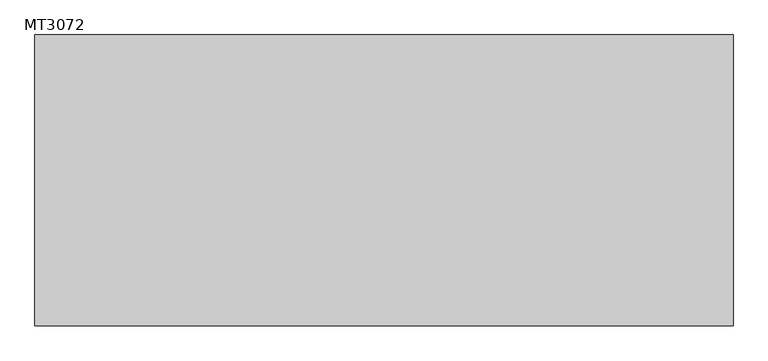
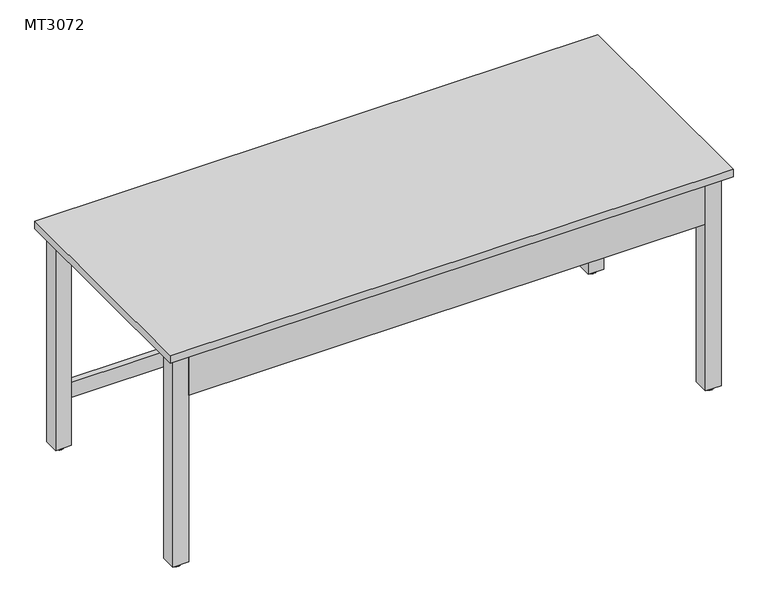
"""IFC4 building model written with IfcOpenShell, lengths in millimetres: furniture geometry, MT3072."""

from ifc_helpers import new_model, si_unit, point, frame, frame_2d, origin, place, context, project, spatial, polyline, circle_curve, trimmed, segment, composite_curve, outline, extrude, source, transform, mapped, element, save


def mt3072_7f9e6dbb(model_context):
    return source(origin(), model_context, "Body", "SweptSolid", [
        extrude(outline(polyline([(248.8705577, 127.0), (299.6705577, 127.0), (299.6705577, 76.2), (248.8705577, 76.2), (248.8705577, 127.0)])), frame((0.0, 0.0, 12.5070585), z_axis=(0.0, 0.0, 1.0), x_axis=(1.0, 0.0, 0.0)), (0.0, 0.0, 1.0), 724.0929415),
        extrude(outline(polyline([(-1430.5951479, 127.0), (-1430.5951479, 76.2), (-1481.3951479, 76.2), (-1481.3951479, 127.0), (-1430.5951479, 127.0)])), frame((0.0, 0.0, 12.5070585), z_axis=(0.0, 0.0, 1.0), x_axis=(1.0, 0.0, 0.0)), (0.0, 0.0, 1.0), 724.0929415),
        extrude(outline(polyline([(248.8705577, -584.2), (248.8705577, -533.4), (299.6705577, -533.4), (299.6705577, -584.2), (248.8705577, -584.2)])), frame((0.0, 0.0, 12.5070585), z_axis=(0.0, 0.0, 1.0), x_axis=(1.0, 0.0, 0.0)), (0.0, 0.0, 1.0), 724.0929415),
        extrude(outline(polyline([(-1430.5951479, -584.2), (-1481.3951479, -584.2), (-1481.3951479, -533.4), (-1430.5951479, -533.4), (-1430.5951479, -584.2)])), frame((0.0, 0.0, 12.5070585), z_axis=(0.0, 0.0, 1.0), x_axis=(1.0, 0.0, 0.0)), (0.0, 0.0, 1.0), 724.0929415),
        extrude(outline(polyline([(323.9758284, -609.6), (-1504.8241716, -609.6), (-1504.8241716, 152.4), (323.9758284, 152.4), (323.9758284, -609.6)])), frame((0.0, 0.0, 736.6), z_axis=(0.0, 0.0, 1.0), x_axis=(1.0, 0.0, 0.0)), (0.0, 0.0, 1.0), 25.4),
        extrude(outline(polyline([(248.8705577, 107.95), (-1430.5951479, 107.95), (-1430.5951479, 127.0), (248.8705577, 127.0), (248.8705577, 107.95)])), frame((0.0, 0.0, 685.8), z_axis=(0.0, 0.0, 1.0), x_axis=(1.0, 0.0, 0.0)), (0.0, 0.0, 1.0), 50.8),
        extrude(outline(polyline([(248.8705577, -584.2), (-1430.5951479, -584.2), (-1430.5951479, -565.15), (248.8705577, -565.15), (248.8705577, -584.2)])), frame((0.0, 0.0, 584.2), z_axis=(0.0, 0.0, 1.0), x_axis=(1.0, 0.0, 0.0)), (0.0, 0.0, 1.0), 152.4),
        extrude(outline(composite_curve([segment(trimmed(circle_curve(frame_2d((274.240625, -558.8)), 4.7625), [point((274.240625, -563.5625))], [point((274.240625, -554.0375))], False, "CARTESIAN"), True, "CONTINUOUS"), segment(trimmed(circle_curve(frame_2d((274.240625, -558.8)), 4.7625), [point((274.240625, -554.0375))], [point((274.240625, -563.5625))], False, "CARTESIAN"), True, "CONTINUOUS")], self_intersect=False)), frame((0.0, 0.0, 6.35), z_axis=(0.0, 0.0, 1.0), x_axis=(1.0, 0.0, 0.0)), (0.0, 0.0, 1.0), 6.1570585),
        extrude(outline(composite_curve([segment(trimmed(circle_curve(frame_2d((274.240625, -558.8)), 14.3383444), [point((274.240625, -573.1383444))], [point((274.240625, -544.4616556))], False, "CARTESIAN"), True, "CONTINUOUS"), segment(trimmed(circle_curve(frame_2d((274.240625, -558.8)), 14.3383444), [point((274.240625, -544.4616556))], [point((274.240625, -573.1383444))], False, "CARTESIAN"), True, "CONTINUOUS")], self_intersect=False)), frame((0.0, 0.0, -0.1929415), z_axis=(0.0, 0.0, 1.0), x_axis=(1.0, 0.0, 0.0)), (0.0, 0.0, 1.0), 6.5429415),
        extrude(outline(composite_curve([segment(trimmed(circle_curve(frame_2d((274.240625, 101.6)), 4.7625), [point((274.240625, 96.8375))], [point((274.240625, 106.3625))], False, "CARTESIAN"), True, "CONTINUOUS"), segment(trimmed(circle_curve(frame_2d((274.240625, 101.6)), 4.7625), [point((274.240625, 106.3625))], [point((274.240625, 96.8375))], False, "CARTESIAN"), True, "CONTINUOUS")], self_intersect=False)), frame((0.0, 0.0, 6.35), z_axis=(0.0, 0.0, 1.0), x_axis=(1.0, 0.0, 0.0)), (0.0, 0.0, 1.0), 6.1570585),
        extrude(outline(composite_curve([segment(trimmed(circle_curve(frame_2d((274.240625, 101.6)), 14.3383444), [point((274.240625, 87.2616556))], [point((274.240625, 115.9383444))], False, "CARTESIAN"), True, "CONTINUOUS"), segment(trimmed(circle_curve(frame_2d((274.240625, 101.6)), 14.3383444), [point((274.240625, 115.9383444))], [point((274.240625, 87.2616556))], False, "CARTESIAN"), True, "CONTINUOUS")], self_intersect=False)), frame((0.0, 0.0, -0.1929415), z_axis=(0.0, 0.0, 1.0), x_axis=(1.0, 0.0, 0.0)), (0.0, 0.0, 1.0), 6.5429415),
        extrude(outline(composite_curve([segment(trimmed(circle_curve(frame_2d((-1455.972857, 101.6)), 4.7625), [point((-1455.972857, 106.3625))], [point((-1455.972857, 96.8375))], False, "CARTESIAN"), True, "CONTINUOUS"), segment(trimmed(circle_curve(frame_2d((-1455.972857, 101.6)), 4.7625), [point((-1455.972857, 96.8375))], [point((-1455.972857, 106.3625))], False, "CARTESIAN"), True, "CONTINUOUS")], self_intersect=False)), frame((0.0, 0.0, 6.1570585), z_axis=(0.0, 0.0, 1.0), x_axis=(1.0, 0.0, 0.0)), (0.0, 0.0, 1.0), 6.35),
        extrude(outline(composite_curve([segment(trimmed(circle_curve(frame_2d((-1455.972857, 101.6)), 14.3383444), [point((-1455.972857, 115.9383444))], [point((-1455.972857, 87.2616556))], False, "CARTESIAN"), True, "CONTINUOUS"), segment(trimmed(circle_curve(frame_2d((-1455.972857, 101.6)), 14.3383444), [point((-1455.972857, 87.2616556))], [point((-1455.972857, 115.9383444))], False, "CARTESIAN"), True, "CONTINUOUS")], self_intersect=False)), frame((0.0, 0.0, -0.1929415), z_axis=(0.0, 0.0, 1.0), x_axis=(1.0, 0.0, 0.0)), (0.0, 0.0, 1.0), 6.35),
        extrude(outline(composite_curve([segment(trimmed(circle_curve(frame_2d((274.240625, 101.6)), 4.7625), [point((274.240625, 96.8375))], [point((274.240625, 106.3625))], False, "CARTESIAN"), True, "CONTINUOUS"), segment(trimmed(circle_curve(frame_2d((274.240625, 101.6)), 4.7625), [point((274.240625, 106.3625))], [point((274.240625, 96.8375))], False, "CARTESIAN"), True, "CONTINUOUS")], self_intersect=False)), frame((0.0, 0.0, 6.35), z_axis=(0.0, 0.0, 1.0), x_axis=(1.0, 0.0, 0.0)), (0.0, 0.0, 1.0), 6.1570585),
        extrude(outline(composite_curve([segment(trimmed(circle_curve(frame_2d((274.240625, 101.6)), 14.3383444), [point((274.240625, 87.2616556))], [point((274.240625, 115.9383444))], False, "CARTESIAN"), True, "CONTINUOUS"), segment(trimmed(circle_curve(frame_2d((274.240625, 101.6)), 14.3383444), [point((274.240625, 115.9383444))], [point((274.240625, 87.2616556))], False, "CARTESIAN"), True, "CONTINUOUS")], self_intersect=False)), frame((0.0, 0.0, -0.1929415), z_axis=(0.0, 0.0, 1.0), x_axis=(1.0, 0.0, 0.0)), (0.0, 0.0, 1.0), 6.5429415),
        extrude(outline(composite_curve([segment(trimmed(circle_curve(frame_2d((-1455.972857, 101.6)), 4.7625), [point((-1455.972857, 106.3625))], [point((-1455.972857, 96.8375))], False, "CARTESIAN"), True, "CONTINUOUS"), segment(trimmed(circle_curve(frame_2d((-1455.972857, 101.6)), 4.7625), [point((-1455.972857, 96.8375))], [point((-1455.972857, 106.3625))], False, "CARTESIAN"), True, "CONTINUOUS")], self_intersect=False)), frame((0.0, 0.0, 6.1570585), z_axis=(0.0, 0.0, 1.0), x_axis=(1.0, 0.0, 0.0)), (0.0, 0.0, 1.0), 6.35),
        extrude(outline(composite_curve([segment(trimmed(circle_curve(frame_2d((-1455.972857, 101.6)), 14.3383444), [point((-1455.972857, 115.9383444))], [point((-1455.972857, 87.2616556))], False, "CARTESIAN"), True, "CONTINUOUS"), segment(trimmed(circle_curve(frame_2d((-1455.972857, 101.6)), 14.3383444), [point((-1455.972857, 87.2616556))], [point((-1455.972857, 115.9383444))], False, "CARTESIAN"), True, "CONTINUOUS")], self_intersect=False)), frame((0.0, 0.0, -0.1929415), z_axis=(0.0, 0.0, 1.0), x_axis=(1.0, 0.0, 0.0)), (0.0, 0.0, 1.0), 6.35),
        extrude(outline(composite_curve([segment(trimmed(circle_curve(frame_2d((274.240625, -558.8)), 4.7625), [point((274.240625, -563.5625))], [point((274.240625, -554.0375))], False, "CARTESIAN"), True, "CONTINUOUS"), segment(trimmed(circle_curve(frame_2d((274.240625, -558.8)), 4.7625), [point((274.240625, -554.0375))], [point((274.240625, -563.5625))], False, "CARTESIAN"), True, "CONTINUOUS")], self_intersect=False)), frame((0.0, 0.0, 6.35), z_axis=(0.0, 0.0, 1.0), x_axis=(1.0, 0.0, 0.0)), (0.0, 0.0, 1.0), 6.1570585),
        extrude(outline(composite_curve([segment(trimmed(circle_curve(frame_2d((274.240625, -558.8)), 14.3383444), [point((274.240625, -573.1383444))], [point((274.240625, -544.4616556))], False, "CARTESIAN"), True, "CONTINUOUS"), segment(trimmed(circle_curve(frame_2d((274.240625, -558.8)), 14.3383444), [point((274.240625, -544.4616556))], [point((274.240625, -573.1383444))], False, "CARTESIAN"), True, "CONTINUOUS")], self_intersect=False)), frame((0.0, 0.0, -0.1929415), z_axis=(0.0, 0.0, 1.0), x_axis=(1.0, 0.0, 0.0)), (0.0, 0.0, 1.0), 6.5429415),
        extrude(outline(composite_curve([segment(trimmed(circle_curve(frame_2d((-1455.972857, -558.8)), 4.7625), [point((-1455.972857, -554.0375))], [point((-1455.972857, -563.5625))], False, "CARTESIAN"), True, "CONTINUOUS"), segment(trimmed(circle_curve(frame_2d((-1455.972857, -558.8)), 4.7625), [point((-1455.972857, -563.5625))], [point((-1455.972857, -554.0375))], False, "CARTESIAN"), True, "CONTINUOUS")], self_intersect=False)), frame((0.0, 0.0, 6.1570585), z_axis=(0.0, 0.0, 1.0), x_axis=(1.0, 0.0, 0.0)), (0.0, 0.0, 1.0), 6.35),
        extrude(outline(composite_curve([segment(trimmed(circle_curve(frame_2d((-1455.972857, -558.8)), 14.3383444), [point((-1455.972857, -544.4616556))], [point((-1455.972857, -573.1383444))], False, "CARTESIAN"), True, "CONTINUOUS"), segment(trimmed(circle_curve(frame_2d((-1455.972857, -558.8)), 14.3383444), [point((-1455.972857, -573.1383444))], [point((-1455.972857, -544.4616556))], False, "CARTESIAN"), True, "CONTINUOUS")], self_intersect=False)), frame((0.0, 0.0, -0.1929415), z_axis=(0.0, 0.0, 1.0), x_axis=(1.0, 0.0, 0.0)), (0.0, 0.0, 1.0), 6.35),
        extrude(outline(polyline([(248.8705577, 107.95), (-1430.5951479, 107.95), (-1430.5951479, 127.0), (248.8705577, 127.0), (248.8705577, 107.95)])), frame((0.0, 0.0, 152.4), z_axis=(0.0, 0.0, 1.0), x_axis=(1.0, 0.0, 0.0)), (0.0, 0.0, 1.0), 50.8),
    ])


if __name__ == "__main__":
    model = new_model("IFC4")
    model_context = context("Model", 3, world=origin())
    ifc_project = project(units=[si_unit("LENGTHUNIT", "METRE", prefix="MILLI")], contexts=[model_context])
    site = spatial("IfcSite", under=ifc_project)
    building = spatial("IfcBuilding", under=site)
    placement = place(None, origin())
    mt3072_shape = mt3072_7f9e6dbb(model_context)
    element("IfcFurniture", 1, ObjectType="MT3072", at=placement, inside=building, context=model_context, shape_type="MappedRepresentation", body=[
        mapped(mt3072_shape, transform((0.0, 0.0, 0.0), x_axis=(1.0, 0.0, 0.0), y_axis=(0.0, 1.0, 0.0), z_axis=(0.0, 0.0, 1.0))),
    ])
    save(model, "model.ifc")
